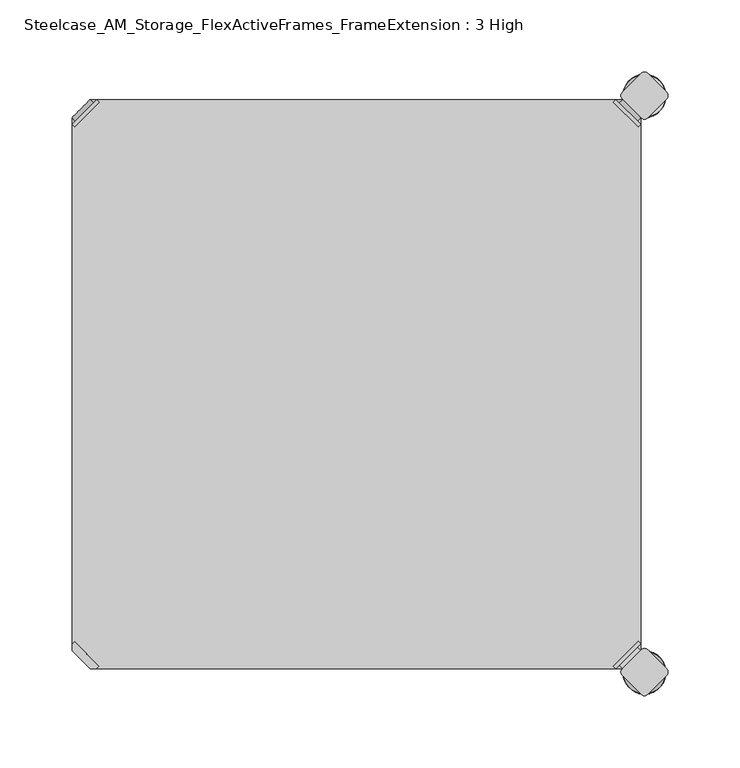
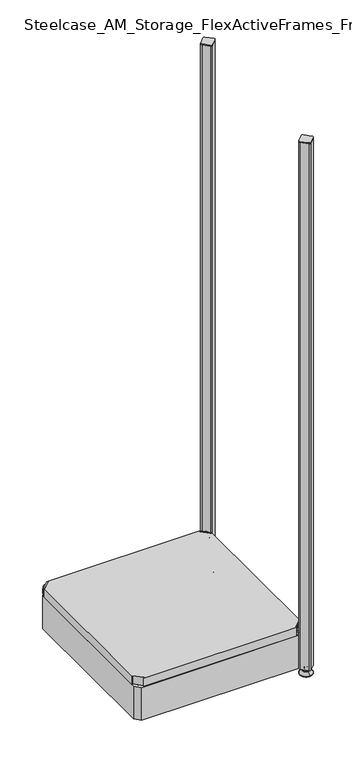
"""IFC4 building model written with IfcOpenShell, lengths in millimetres: furniture geometry, Steelcase_AM_Storage_FlexActiveFrames_FrameExtension : 3 High."""

from ifc_helpers import new_model, si_unit, point, frame, frame_2d, origin, place, context, project, spatial, polyline, circle_curve, ellipse_curve, trimmed, segment, composite_curve, outline, extrude, source, transform, mapped, element, save
from ifc_brep_helpers import plane_surface, cylinder_surface, revolved_surface, advanced_brep


def steelcase_am_storage_flexactiveframes_frameextension_3_high_2f810803(model_context):
    return source(origin(), model_context, "Body", "SolidModel", [
        advanced_brep(
        [(397.51, -380.2870969, 118.9736), (395.7139488, -378.4910456, 118.9736), (378.4910456, -395.7139488, 118.9736), (380.2870969, -397.51, 118.9736), (380.2870969, -397.51, 97.6376), (397.51, -380.2870969, 97.6376), (395.1847277, -382.6123691, 108.8136), (382.6123691, -395.1847277, 108.8136), (369.7579478, -352.5350447, 98.6536), (352.5350447, -369.7579478, 98.6536), (378.4910456, -395.7139488, 98.6536), (395.7139488, -378.4910456, 98.6536), (369.7579478, -352.5350447, 97.6376), (352.5350447, -369.7579478, 97.6376), (384.9272487, -397.4996073, 108.8136), (397.4996073, -384.9272487, 108.8136)],
        [
            (0, 1),
            (1, 2),
            (2, 3),
            (3, 0),
            (3, 4),
            (4, 5),
            (5, 0),
            (6, 7, circle_curve(frame((388.8985484, -388.8985484, 108.8136), z_axis=(-0.7071067811865446, 0.7071067811865505, 0.0), x_axis=(0.7071067811865505, 0.7071067811865446, 0.0)), 8.89)),
            (7, 6, circle_curve(frame((388.8985484, -388.8985484, 108.8136), z_axis=(-0.7071067811865446, 0.7071067811865505, 0.0), x_axis=(0.7071067811865505, 0.7071067811865446, 0.0)), 8.89)),
            (8, 9, circle_curve(frame((361.1464963, -361.1464963, 98.6536), z_axis=(0.0, 0.0, 1.0), x_axis=(-1.0, 0.0, 0.0)), 12.1784316)),
            (9, 10),
            (10, 11),
            (11, 8),
            (12, 5),
            (4, 13),
            (13, 12, circle_curve(frame((361.1464963, -361.1464963, 97.6376), z_axis=(0.0, 0.0, -1.0), x_axis=(-1.0, 0.0, 0.0)), 12.1784316)),
            (14, 15, circle_curve(frame((391.213428, -391.213428, 108.8136), z_axis=(0.7071067811865446, -0.7071067811865505, 0.0), x_axis=(0.7071067811865505, 0.7071067811865446, 0.0)), 8.89)),
            (15, 14, circle_curve(frame((391.213428, -391.213428, 108.8136), z_axis=(0.7071067811865446, -0.7071067811865505, 0.0), x_axis=(0.7071067811865505, 0.7071067811865446, 0.0)), 8.89)),
            (14, 7),
            (6, 15),
            (1, 11),
            (10, 2),
            (8, 12),
            (13, 9),
        ],
        [
            plane_surface(frame((419.7079872, -402.485084, 118.9736), z_axis=(0.0, 0.0, 1.0000000000000002), x_axis=(-0.7071067811865436, 0.7071067811865516, 0.0))),
            plane_surface(frame((380.2870969, -397.51, 118.9736), z_axis=(0.7071067811865447, -0.7071067811865503, 0.0), x_axis=(0.0, 0.0, -1.0))),
            plane_surface(frame((348.9680647, -361.1464963, 98.6536), z_axis=(0.0, 0.0, 1.0), x_axis=(0.0, -1.0, 0.0))),
            plane_surface(frame((348.9680647, -361.1464963, 97.6376), z_axis=(0.0, 0.0, -1.0), x_axis=(0.0, 1.0, 0.0))),
            plane_surface(frame((397.4996073, -384.9272487, 108.8136), z_axis=(0.7071067811865446, -0.7071067811865505, 0.0), x_axis=(0.0, 0.0, 1.0))),
            cylinder_surface(frame((388.8985484, -388.8985484, 108.8136), z_axis=(0.7071067811865446, -0.7071067811865505, 0.0), x_axis=(0.7071067811865505, 0.7071067811865446, 0.0)), 8.89),
            plane_surface(frame((395.7139488, -378.4910456, 118.9736), z_axis=(-0.7071067811865447, 0.7071067811865503, 0.0), x_axis=(0.0, 0.0, -1.0))),
            cylinder_surface(frame((361.1464963, -361.1464963, 97.6376), z_axis=(0.0, 0.0, 1.0), x_axis=(-1.0, 0.0, 0.0)), 12.1784316),
            plane_surface(frame((397.51, -380.2870969, 118.9736), z_axis=(0.7071067811865516, 0.7071067811865436, 0.0), x_axis=(0.0, 0.0, -1.0))),
            plane_surface(frame((378.4910456, -395.7139488, 118.9736), z_axis=(-0.7071067811865513, -0.7071067811865437, 0.0), x_axis=(0.0, 0.0, -1.0))),
        ],
        [
            (0, [[1, 2, 3, 4]]),
            (1, [[-4, 5, 6, 7], [8, 9]]),
            (2, [[10, 11, 12, 13]]),
            (3, [[14, -6, 15, 16]]),
            (4, [[17, 18]]),
            (5, [[-17, 19, -8, 20]]),
            (5, [[-18, -20, -9, -19]]),
            (6, [[-2, 21, -12, 22]]),
            (7, [[-10, 23, -16, 24]]),
            (8, [[-1, -7, -14, -23, -13, -21]]),
            (9, [[-3, -22, -11, -24, -15, -5]]),
        ],
    ),
        advanced_brep(
        [(397.51, -19.7629031, 118.9736), (380.2870969, -2.54, 118.9736), (378.4910456, -4.3360512, 118.9736), (395.7139488, -21.5589544, 118.9736), (397.51, -19.7629031, 97.6376), (380.2870969, -2.54, 97.6376), (395.1847277, -17.4376309, 108.8136), (382.6123691, -4.8652723, 108.8136), (369.7579478, -47.5149553, 98.6536), (395.7139488, -21.5589544, 98.6536), (378.4910456, -4.3360512, 98.6536), (352.5350447, -30.2920522, 98.6536), (369.7579478, -47.5149553, 97.6376), (352.5350447, -30.2920522, 97.6376), (384.9272487, -2.5503927, 108.8136), (397.4996073, -15.1227513, 108.8136)],
        [
            (0, 1),
            (1, 2),
            (2, 3),
            (3, 0),
            (0, 4),
            (4, 5),
            (5, 1),
            (6, 7, circle_curve(frame((388.8985484, -11.1514516, 108.8136), z_axis=(-0.7071067811865469, -0.7071067811865481, 0.0), x_axis=(0.7071067811865481, -0.7071067811865469, 0.0)), 8.89)),
            (7, 6, circle_curve(frame((388.8985484, -11.1514516, 108.8136), z_axis=(-0.7071067811865469, -0.7071067811865481, 0.0), x_axis=(0.7071067811865481, -0.7071067811865469, 0.0)), 8.89)),
            (8, 9),
            (9, 10),
            (10, 11),
            (11, 8, circle_curve(frame((361.1464963, -38.9035037, 98.6536), z_axis=(0.0, 0.0, 1.0), x_axis=(-1.0, 0.0, 0.0)), 12.1784316)),
            (12, 13, circle_curve(frame((361.1464963, -38.9035037, 97.6376), z_axis=(0.0, 0.0, -1.0), x_axis=(-1.0, 0.0, 0.0)), 12.1784316)),
            (13, 5),
            (4, 12),
            (14, 15, circle_curve(frame((391.213428, -8.836572, 108.8136), z_axis=(0.7071067811865469, 0.7071067811865481, 0.0), x_axis=(0.7071067811865481, -0.7071067811865469, 0.0)), 8.89)),
            (15, 14, circle_curve(frame((391.213428, -8.836572, 108.8136), z_axis=(0.7071067811865469, 0.7071067811865481, 0.0), x_axis=(0.7071067811865481, -0.7071067811865469, 0.0)), 8.89)),
            (15, 6),
            (7, 14),
            (2, 10),
            (9, 3),
            (11, 13),
            (12, 8),
        ],
        [
            plane_surface(frame((419.7079872, 2.435084, 118.9736), z_axis=(0.0, 0.0, 1.0000000000000002), x_axis=(-0.7071067811865459, -0.7071067811865492, 0.0))),
            plane_surface(frame((380.2870969, -2.54, 118.9736), z_axis=(0.707106781186547, 0.707106781186548, 0.0), x_axis=(0.0, 0.0, -1.0))),
            plane_surface(frame((348.9680647, -38.9035037, 98.6536), z_axis=(0.0, 0.0, 1.0), x_axis=(0.0, 1.0, 0.0))),
            plane_surface(frame((348.9680647, -38.9035037, 97.6376), z_axis=(0.0, 0.0, -1.0), x_axis=(0.0, -1.0, 0.0))),
            plane_surface(frame((397.4996073, -15.1227513, 108.8136), z_axis=(0.7071067811865469, 0.7071067811865481, 0.0), x_axis=(0.0, 0.0, 1.0))),
            cylinder_surface(frame((388.8985484, -11.1514516, 108.8136), z_axis=(0.7071067811865469, 0.7071067811865481, 0.0), x_axis=(0.7071067811865481, -0.7071067811865469, 0.0)), 8.89),
            plane_surface(frame((395.7139488, -21.5589544, 118.9736), z_axis=(-0.707106781186547, -0.707106781186548, 0.0), x_axis=(0.0, 0.0, -1.0))),
            cylinder_surface(frame((361.1464963, -38.9035037, 97.6376), z_axis=(0.0, 0.0, 1.0), x_axis=(-1.0, 0.0, 0.0)), 12.1784316),
            plane_surface(frame((397.51, -19.7629031, 118.9736), z_axis=(0.7071067811865492, -0.7071067811865459, 0.0), x_axis=(0.0, 0.0, -1.0))),
            plane_surface(frame((378.4910456, -4.3360512, 118.9736), z_axis=(-0.707106781186549, 0.707106781186546, 0.0), x_axis=(0.0, 0.0, -1.0))),
        ],
        [
            (0, [[1, 2, 3, 4]]),
            (1, [[5, 6, 7, -1], [8, 9]]),
            (2, [[10, 11, 12, 13]]),
            (3, [[14, 15, -6, 16]]),
            (4, [[17, 18]]),
            (5, [[19, -9, 20, -18]]),
            (5, [[-20, -8, -19, -17]]),
            (6, [[21, -11, 22, -3]]),
            (7, [[23, -14, 24, -13]]),
            (8, [[-22, -10, -24, -16, -5, -4]]),
            (9, [[-7, -15, -23, -12, -21, -2]]),
        ],
    ),
        advanced_brep(
        [(2.54, -19.7629031, 118.9736), (4.3360512, -21.5589544, 118.9736), (21.5589544, -4.3360512, 118.9736), (19.7629031, -2.54, 118.9736), (19.7629031, -2.54, 97.6376), (2.54, -19.7629031, 97.6376), (4.8652723, -17.4376309, 108.8136), (17.4376309, -4.8652723, 108.8136), (30.2920522, -47.5149553, 98.6536), (47.5149553, -30.2920522, 98.6536), (21.5589544, -4.3360512, 98.6536), (4.3360512, -21.5589544, 98.6536), (30.2920522, -47.5149553, 97.6376), (47.5149553, -30.2920522, 97.6376), (15.1227513, -2.5503927, 108.8136), (2.5503927, -15.1227513, 108.8136)],
        [
            (0, 1),
            (1, 2),
            (2, 3),
            (3, 0),
            (3, 4),
            (4, 5),
            (5, 0),
            (6, 7, circle_curve(frame((11.1514516, -11.1514516, 108.8136), z_axis=(0.7071067811865469, -0.7071067811865481, 0.0), x_axis=(-0.7071067811865481, -0.7071067811865469, 0.0)), 8.89)),
            (7, 6, circle_curve(frame((11.1514516, -11.1514516, 108.8136), z_axis=(0.7071067811865469, -0.7071067811865481, 0.0), x_axis=(-0.7071067811865481, -0.7071067811865469, 0.0)), 8.89)),
            (8, 9, circle_curve(frame((38.9035037, -38.9035037, 98.6536), z_axis=(0.0, 0.0, 1.0), x_axis=(1.0, 0.0, 0.0)), 12.1784316)),
            (9, 10),
            (10, 11),
            (11, 8),
            (12, 5),
            (4, 13),
            (13, 12, circle_curve(frame((38.9035037, -38.9035037, 97.6376), z_axis=(0.0, 0.0, -1.0), x_axis=(1.0, 0.0, 0.0)), 12.1784316)),
            (14, 15, circle_curve(frame((8.836572, -8.836572, 108.8136), z_axis=(-0.7071067811865469, 0.7071067811865481, 0.0), x_axis=(-0.7071067811865481, -0.7071067811865469, 0.0)), 8.89)),
            (15, 14, circle_curve(frame((8.836572, -8.836572, 108.8136), z_axis=(-0.7071067811865469, 0.7071067811865481, 0.0), x_axis=(-0.7071067811865481, -0.7071067811865469, 0.0)), 8.89)),
            (14, 7),
            (6, 15),
            (1, 11),
            (10, 2),
            (8, 12),
            (13, 9),
        ],
        [
            plane_surface(frame((-19.6579872, 2.435084, 118.9736), z_axis=(0.0, 0.0, 1.0000000000000002), x_axis=(0.7071067811865459, -0.7071067811865492, 0.0))),
            plane_surface(frame((19.7629031, -2.54, 118.9736), z_axis=(-0.707106781186547, 0.707106781186548, 0.0), x_axis=(0.0, 0.0, -1.0))),
            plane_surface(frame((51.0819353, -38.9035037, 98.6536), z_axis=(0.0, 0.0, 1.0), x_axis=(0.0, 1.0, 0.0))),
            plane_surface(frame((51.0819353, -38.9035037, 97.6376), z_axis=(0.0, 0.0, -1.0), x_axis=(0.0, -1.0, 0.0))),
            plane_surface(frame((2.5503927, -15.1227513, 108.8136), z_axis=(-0.7071067811865469, 0.7071067811865481, 0.0), x_axis=(0.0, 0.0, 1.0))),
            cylinder_surface(frame((11.1514516, -11.1514516, 108.8136), z_axis=(-0.7071067811865469, 0.7071067811865481, 0.0), x_axis=(-0.7071067811865481, -0.7071067811865469, 0.0)), 8.89),
            plane_surface(frame((4.3360512, -21.5589544, 118.9736), z_axis=(0.707106781186547, -0.707106781186548, 0.0), x_axis=(0.0, 0.0, -1.0))),
            cylinder_surface(frame((38.9035037, -38.9035037, 97.6376), z_axis=(0.0, 0.0, 1.0), x_axis=(1.0, 0.0, 0.0)), 12.1784316),
            plane_surface(frame((2.54, -19.7629031, 118.9736), z_axis=(-0.7071067811865492, -0.7071067811865459, 0.0), x_axis=(0.0, 0.0, -1.0))),
            plane_surface(frame((21.5589544, -4.3360512, 118.9736), z_axis=(0.707106781186549, 0.707106781186546, 0.0), x_axis=(0.0, 0.0, -1.0))),
        ],
        [
            (0, [[1, 2, 3, 4]]),
            (1, [[-4, 5, 6, 7], [8, 9]]),
            (2, [[10, 11, 12, 13]]),
            (3, [[14, -6, 15, 16]]),
            (4, [[17, 18]]),
            (5, [[-17, 19, -8, 20]]),
            (5, [[-18, -20, -9, -19]]),
            (6, [[-2, 21, -12, 22]]),
            (7, [[-10, 23, -16, 24]]),
            (8, [[-1, -7, -14, -23, -13, -21]]),
            (9, [[-3, -22, -11, -24, -15, -5]]),
        ],
    ),
        extrude(outline(polyline([(19.7629031, -2.54), (380.2870969, -2.54), (378.4910456, -4.3360512), (395.7139488, -21.5589544), (397.51, -19.7629031), (397.51, -380.2870969), (395.7139488, -378.4910456), (378.4910456, -395.7139488), (380.2870969, -397.51), (19.7629031, -397.51), (21.5589544, -395.7139488), (4.3360512, -378.4910456), (2.54, -380.2870969), (2.54, -19.7629031), (4.3360512, -21.5589544), (21.5589544, -4.3360512), (19.7629031, -2.54)])), frame((0.0, 0.0, 98.6536), z_axis=(0.0, 0.0, 1.0), x_axis=(1.0, 0.0, 0.0)), (0.0, 0.0, 1.0), 20.32),
        extrude(outline(composite_curve([segment(trimmed(circle_curve(frame_2d((400.05, -13.1875415)), 3.175), [point((402.295064, -15.4326055))], [point((397.804936, -15.4326055))], False, "CARTESIAN"), True, "CONTINUOUS"), segment(polyline([(397.804936, -15.4326055), (384.6173945, -2.245064)]), True, "CONTINUOUS"), segment(trimmed(circle_curve(frame_2d((386.8624585, 0.0)), 3.175), [point((384.6173945, -2.245064))], [point((384.6173945, 2.245064))], False, "CARTESIAN"), True, "CONTINUOUS"), segment(polyline([(384.6173945, 2.245064), (397.804936, 15.4326055)]), True, "CONTINUOUS"), segment(trimmed(circle_curve(frame_2d((400.05, 13.1875415)), 3.175), [point((397.804936, 15.4326055))], [point((402.295064, 15.4326055))], False, "CARTESIAN"), True, "CONTINUOUS"), segment(polyline([(402.295064, 15.4326055), (415.4826055, 2.245064)]), True, "CONTINUOUS"), segment(trimmed(circle_curve(frame_2d((413.2375415, 0.0)), 3.175), [point((415.4826055, 2.245064))], [point((415.4826055, -2.245064))], False, "CARTESIAN"), True, "CONTINUOUS"), segment(polyline([(415.4826055, -2.245064), (402.295064, -15.4326055)]), True, "CONTINUOUS")], self_intersect=False)), frame((0.0, 0.0, 1324.61), z_axis=(0.0, 0.0, 1.0), x_axis=(1.0, 0.0, 0.0)), (0.0, 0.0, 1.0), 2.032),
        extrude(outline(composite_curve([segment(polyline([(402.295064, -384.6173945), (415.4826055, -397.804936)]), True, "CONTINUOUS"), segment(trimmed(circle_curve(frame_2d((413.2375415, -400.05)), 3.175), [point((415.4826055, -397.804936))], [point((415.4826055, -402.295064))], False, "CARTESIAN"), True, "CONTINUOUS"), segment(polyline([(415.4826055, -402.295064), (402.295064, -415.4826055)]), True, "CONTINUOUS"), segment(trimmed(circle_curve(frame_2d((400.05, -413.2375415)), 3.175), [point((402.295064, -415.4826055))], [point((397.804936, -415.4826055))], False, "CARTESIAN"), True, "CONTINUOUS"), segment(polyline([(397.804936, -415.4826055), (384.6173945, -402.295064)]), True, "CONTINUOUS"), segment(trimmed(circle_curve(frame_2d((386.8624585, -400.05)), 3.175), [point((384.6173945, -402.295064))], [point((384.6173945, -397.804936))], False, "CARTESIAN"), True, "CONTINUOUS"), segment(polyline([(384.6173945, -397.804936), (397.804936, -384.6173945)]), True, "CONTINUOUS"), segment(trimmed(circle_curve(frame_2d((400.05, -386.8624585)), 3.175), [point((397.804936, -384.6173945))], [point((402.295064, -384.6173945))], False, "CARTESIAN"), True, "CONTINUOUS")], self_intersect=False)), frame((0.0, 0.0, 1324.61), z_axis=(0.0, 0.0, 1.0), x_axis=(1.0, 0.0, 0.0)), (0.0, 0.0, 1.0), 2.032),
        extrude(outline(polyline([(2.54, -384.9123305), (2.54, -15.1376695), (15.1376695, -2.54), (384.9123305, -2.54), (397.51, -15.1376695), (397.51, -384.9123305), (384.9123305, -397.51), (15.1376695, -397.51), (2.54, -384.9123305)]), holes=[polyline([(12.7, -15.748), (12.7, -387.35), (387.35, -387.35), (387.35, -15.748), (12.7, -15.748)])]), frame((0.0, 0.0, 15.9766), z_axis=(0.0, 0.0, 1.0), x_axis=(1.0, 0.0, 0.0)), (0.0, 0.0, 1.0), 81.28),
        advanced_brep(
        [(400.05, 3.999659, 15.9766), (400.05, -3.999659, 15.9766), (400.05, 0.0, 15.9766), (400.05, 3.999659, 12.6000054), (400.05, -3.999659, 12.6000054), (400.05, 5.8601455, 12.6000054), (400.05, -5.8601455, 12.6000054), (400.05, 6.4951462, 11.9650074), (400.05, -6.4951462, 11.9650074), (400.05, 6.4951462, 9.0000124), (400.05, -6.4951462, 9.0000124), (400.05, 8.7421976, 9.0000124), (400.05, -8.7421976, 9.0000124), (400.05, 14.7060077, 2.3275608), (400.05, -14.7060077, 2.3275608), (400.05, 13.664601, 0.0), (400.05, -13.664601, 0.0), (400.05, 0.0, 0.0)],
        [
            (0, 1, circle_curve(frame((400.05, 0.0, 15.9766), z_axis=(0.0, 0.0, 1.0), x_axis=(0.0, -1.0, 0.0)), 3.999659)),
            (1, 2),
            (2, 0),
            (1, 0, circle_curve(frame((400.05, 0.0, 15.9766), z_axis=(0.0, 0.0, 1.0), x_axis=(0.0, -1.0, 0.0)), 3.999659)),
            (3, 4, circle_curve(frame((400.05, 0.0, 12.6000054), z_axis=(0.0, 0.0, 1.0), x_axis=(0.0, -1.0, 0.0)), 3.999659)),
            (4, 1),
            (0, 3),
            (4, 3, circle_curve(frame((400.05, 0.0, 12.6000054), z_axis=(0.0, 0.0, 1.0), x_axis=(0.0, -1.0, 0.0)), 3.999659)),
            (5, 6, circle_curve(frame((400.05, 0.0, 12.6000054), z_axis=(0.0, 0.0, 1.0), x_axis=(0.0, -1.0, 0.0)), 5.8601455)),
            (6, 4),
            (3, 5),
            (6, 5, circle_curve(frame((400.05, 0.0, 12.6000054), z_axis=(0.0, 0.0, 1.0), x_axis=(0.0, -1.0, 0.0)), 5.8601455)),
            (7, 8, circle_curve(frame((400.05, 0.0, 11.9650074), z_axis=(0.0, 0.0, 1.0), x_axis=(0.0, -1.0, 0.0)), 6.4951462)),
            (8, 6, circle_curve(frame((400.05, -5.8601462, 11.9650074), z_axis=(-1.0, 0.0, 0.0), x_axis=(0.0, -1.0, 0.0)), 0.635)),
            (5, 7, circle_curve(frame((400.05, 5.8601462, 11.9650074), z_axis=(-1.0, 0.0, 0.0), x_axis=(0.0, 1.0, 0.0)), 0.635)),
            (8, 7, circle_curve(frame((400.05, 0.0, 11.9650074), z_axis=(0.0, 0.0, 1.0), x_axis=(0.0, -1.0, 0.0)), 6.4951462)),
            (9, 10, circle_curve(frame((400.05, 0.0, 9.0000124), z_axis=(0.0, 0.0, 1.0), x_axis=(0.0, -1.0, 0.0)), 6.4951462)),
            (10, 8),
            (7, 9),
            (10, 9, circle_curve(frame((400.05, 0.0, 9.0000124), z_axis=(0.0, 0.0, 1.0), x_axis=(0.0, -1.0, 0.0)), 6.4951462)),
            (11, 12, circle_curve(frame((400.05, 0.0, 9.0000124), z_axis=(0.0, 0.0, 1.0), x_axis=(0.0, -1.0, 0.0)), 8.7421976)),
            (12, 10),
            (9, 11),
            (12, 11, circle_curve(frame((400.05, 0.0, 9.0000124), z_axis=(0.0, 0.0, 1.0), x_axis=(0.0, -1.0, 0.0)), 8.7421976)),
            (13, 14, circle_curve(frame((400.05, 0.0, 2.3275608), z_axis=(0.0, 0.0, 1.0), x_axis=(0.0, -1.0, 0.0)), 14.7060077)),
            (14, 12),
            (11, 13),
            (14, 13, circle_curve(frame((400.05, 0.0, 2.3275608), z_axis=(0.0, 0.0, 1.0), x_axis=(0.0, -1.0, 0.0)), 14.7060077)),
            (15, 16, circle_curve(frame((400.05, 0.0, 0.0), z_axis=(0.0, 0.0, 1.0), x_axis=(0.0, -1.0, 0.0)), 13.664601)),
            (16, 14, circle_curve(frame((400.05, -13.664601, 1.3967556), z_axis=(-1.0, 0.0, 0.0), x_axis=(0.0, -1.0, 0.0)), 1.3967556)),
            (13, 15, circle_curve(frame((400.05, 13.664601, 1.3967556), z_axis=(-1.0, 0.0, 0.0), x_axis=(0.0, 1.0, 0.0)), 1.3967556)),
            (16, 15, circle_curve(frame((400.05, 0.0, 0.0), z_axis=(0.0, 0.0, 1.0), x_axis=(0.0, -1.0, 0.0)), 13.664601)),
            (17, 16),
            (15, 17),
        ],
        [
            plane_surface(frame((400.05, 0.0, 15.9766), z_axis=(0.0, 0.0, 1.0), x_axis=(0.0, -1.0, 0.0))),
            cylinder_surface(frame((400.05, 0.0, -4.132372), z_axis=(0.0, 0.0, -1.0), x_axis=(0.0, -1.0, 0.0)), 3.999659),
            plane_surface(frame((400.05, 0.0, 12.6000054), z_axis=(0.0, 0.0, 1.0), x_axis=(0.0, -1.0, 0.0))),
            revolved_surface(trimmed(ellipse_curve(frame((400.05, -5.8601462, 11.9650074), z_axis=(1.0, 0.0, 0.0), x_axis=(0.0, -1.0, 0.0)), 0.635, 0.635), [point((400.05, -5.8601455, 12.6000074))], [point((400.05, -6.4951462, 11.9650074))], True, "CARTESIAN"), (400.05, 0.0, -4.132372), (0.0, 0.0, -1.0)),
            cylinder_surface(frame((400.05, 0.0, -4.132372), z_axis=(0.0, 0.0, -1.0), x_axis=(0.0, -1.0, 0.0)), 6.4951462),
            plane_surface(frame((400.05, 0.0, 9.0000124), z_axis=(0.0, 0.0, 1.0), x_axis=(0.0, -1.0, 0.0))),
            revolved_surface(polyline([(400.05, -8.7421976, 9.0000124), (400.05, -14.7060077, 2.3275608)]), (400.05, 0.0, -4.132372), (0.0, 0.0, -1.0)),
            revolved_surface(trimmed(ellipse_curve(frame((400.05, -13.664601, 1.3967556), z_axis=(1.0, 0.0, 0.0), x_axis=(0.0, -1.0, 0.0)), 1.3967556, 1.3967556), [point((400.05, -14.7060077, 2.3275608))], [point((400.05, -13.664601, 0.0))], True, "CARTESIAN"), (400.05, 0.0, -4.132372), (0.0, 0.0, -1.0)),
            plane_surface(frame((400.05, 0.0, 0.0), z_axis=(0.0, 0.0, -1.0), x_axis=(0.0, -1.0, 0.0))),
        ],
        [
            (0, [[1, 2, 3]]),
            (0, [[4, -3, -2]]),
            (1, [[5, 6, -1, 7]]),
            (1, [[8, -7, -4, -6]]),
            (2, [[9, 10, -5, 11]]),
            (2, [[12, -11, -8, -10]]),
            (3, [[13, 14, -9, 15]]),
            (3, [[16, -15, -12, -14]]),
            (4, [[17, 18, -13, 19]]),
            (4, [[20, -19, -16, -18]]),
            (5, [[21, 22, -17, 23]]),
            (5, [[24, -23, -20, -22]]),
            (6, [[25, 26, -21, 27]]),
            (6, [[28, -27, -24, -26]]),
            (7, [[29, 30, -25, 31]]),
            (7, [[32, -31, -28, -30]]),
            (8, [[33, -29, 34]]),
            (8, [[-34, -32, -33]]),
        ],
    ),
        advanced_brep(
        [(400.05, -400.05, 15.9766), (400.05, -396.050341, 15.9766), (400.05, -404.049659, 15.9766), (400.05, -396.050341, 12.6000054), (400.05, -404.049659, 12.6000054), (400.05, -394.1898545, 12.6000074), (400.05, -405.9101455, 12.6000074), (400.05, -393.5548538, 11.9650074), (400.05, -406.5451462, 11.9650074), (400.05, -393.5548538, 9.0000124), (400.05, -406.5451462, 9.0000124), (400.05, -391.3078024, 9.0000124), (400.05, -408.7921976, 9.0000124), (400.05, -385.3439923, 2.3275608), (400.05, -414.7560077, 2.3275608), (400.05, -386.385399, 0.0), (400.05, -413.714601, 0.0), (400.05, -400.05, 0.0)],
        [
            (0, 1),
            (1, 2, circle_curve(frame((400.05, -400.05, 15.9766), z_axis=(0.0, 0.0, 1.0), x_axis=(0.0, 1.0, 0.0)), 3.999659)),
            (2, 0),
            (2, 1, circle_curve(frame((400.05, -400.05, 15.9766), z_axis=(0.0, 0.0, 1.0), x_axis=(0.0, 1.0, 0.0)), 3.999659)),
            (1, 3),
            (3, 4, circle_curve(frame((400.05, -400.05, 12.6000054), z_axis=(0.0, 0.0, 1.0), x_axis=(0.0, 1.0, 0.0)), 3.999659)),
            (4, 2),
            (4, 3, circle_curve(frame((400.05, -400.05, 12.6000054), z_axis=(0.0, 0.0, 1.0), x_axis=(0.0, 1.0, 0.0)), 3.999659)),
            (3, 5),
            (5, 6, circle_curve(frame((400.05, -400.05, 12.6000074), z_axis=(0.0, 0.0, 1.0), x_axis=(0.0, 1.0, 0.0)), 5.8601455)),
            (6, 4),
            (6, 5, circle_curve(frame((400.05, -400.05, 12.6000074), z_axis=(0.0, 0.0, 1.0), x_axis=(0.0, 1.0, 0.0)), 5.8601455)),
            (5, 7, circle_curve(frame((400.05, -394.1898538, 11.9650074), z_axis=(-1.0, 0.0, 0.0), x_axis=(0.0, 1.0, 0.0)), 0.635)),
            (7, 8, circle_curve(frame((400.05, -400.05, 11.9650074), z_axis=(0.0, 0.0, 1.0), x_axis=(0.0, 1.0, 0.0)), 6.4951462)),
            (8, 6, circle_curve(frame((400.05, -405.9101462, 11.9650074), z_axis=(-1.0, 0.0, 0.0), x_axis=(0.0, -1.0, 0.0)), 0.635)),
            (8, 7, circle_curve(frame((400.05, -400.05, 11.9650074), z_axis=(0.0, 0.0, 1.0), x_axis=(0.0, 1.0, 0.0)), 6.4951462)),
            (7, 9),
            (9, 10, circle_curve(frame((400.05, -400.05, 9.0000124), z_axis=(0.0, 0.0, 1.0), x_axis=(0.0, 1.0, 0.0)), 6.4951462)),
            (10, 8),
            (10, 9, circle_curve(frame((400.05, -400.05, 9.0000124), z_axis=(0.0, 0.0, 1.0), x_axis=(0.0, 1.0, 0.0)), 6.4951462)),
            (9, 11),
            (11, 12, circle_curve(frame((400.05, -400.05, 9.0000124), z_axis=(0.0, 0.0, 1.0), x_axis=(0.0, 1.0, 0.0)), 8.7421976)),
            (12, 10),
            (12, 11, circle_curve(frame((400.05, -400.05, 9.0000124), z_axis=(0.0, 0.0, 1.0), x_axis=(0.0, 1.0, 0.0)), 8.7421976)),
            (11, 13),
            (13, 14, circle_curve(frame((400.05, -400.05, 2.3275608), z_axis=(0.0, 0.0, 1.0), x_axis=(0.0, 1.0, 0.0)), 14.7060077)),
            (14, 12),
            (14, 13, circle_curve(frame((400.05, -400.05, 2.3275608), z_axis=(0.0, 0.0, 1.0), x_axis=(0.0, 1.0, 0.0)), 14.7060077)),
            (13, 15, circle_curve(frame((400.05, -386.385399, 1.3967556), z_axis=(-1.0, 0.0, 0.0), x_axis=(0.0, 1.0, 0.0)), 1.3967556)),
            (15, 16, circle_curve(frame((400.05, -400.05, 0.0), z_axis=(0.0, 0.0, 1.0), x_axis=(0.0, 1.0, 0.0)), 13.664601)),
            (16, 14, circle_curve(frame((400.05, -413.714601, 1.3967556), z_axis=(-1.0, 0.0, 0.0), x_axis=(0.0, -1.0, 0.0)), 1.3967556)),
            (16, 15, circle_curve(frame((400.05, -400.05, 0.0), z_axis=(0.0, 0.0, 1.0), x_axis=(0.0, 1.0, 0.0)), 13.664601)),
            (15, 17),
            (17, 16),
        ],
        [
            plane_surface(frame((400.05, -400.05, 15.9766), z_axis=(0.0, 0.0, 1.0), x_axis=(0.0, 1.0, 0.0))),
            cylinder_surface(frame((400.05, -400.05, -4.132372), z_axis=(0.0, 0.0, 1.0), x_axis=(0.0, 1.0, 0.0)), 3.999659),
            plane_surface(frame((400.05, -400.05, 12.6000074), z_axis=(0.0, 0.0, 1.0), x_axis=(0.0, 1.0, 0.0))),
            revolved_surface(trimmed(ellipse_curve(frame((400.05, -394.1898538, 11.9650074), z_axis=(1.0, 0.0, 0.0), x_axis=(0.0, 1.0, 0.0)), 0.635, 0.635), [point((400.05, -393.5548538, 11.9650074))], [point((400.05, -394.1898545, 12.6000074))], True, "CARTESIAN"), (400.05, -400.05, -4.132372), (0.0, 0.0, 1.0)),
            cylinder_surface(frame((400.05, -400.05, -4.132372), z_axis=(0.0, 0.0, 1.0), x_axis=(0.0, 1.0, 0.0)), 6.4951462),
            plane_surface(frame((400.05, -400.05, 9.0000124), z_axis=(0.0, 0.0, 1.0), x_axis=(0.0, 1.0, 0.0))),
            revolved_surface(polyline([(400.05, -385.3439923, 2.3275608), (400.05, -391.3078024, 9.0000124)]), (400.05, -400.05, -4.132372), (0.0, 0.0, 1.0)),
            revolved_surface(trimmed(ellipse_curve(frame((400.05, -386.385399, 1.3967556), z_axis=(1.0, 0.0, 0.0), x_axis=(0.0, 1.0, 0.0)), 1.3967556, 1.3967556), [point((400.05, -386.385399, 0.0))], [point((400.05, -385.3439923, 2.3275608))], True, "CARTESIAN"), (400.05, -400.05, -4.132372), (0.0, 0.0, 1.0)),
            plane_surface(frame((400.05, -400.05, 0.0), z_axis=(0.0, 0.0, -1.0), x_axis=(0.0, 1.0, 0.0))),
        ],
        [
            (0, [[1, 2, 3]]),
            (0, [[-3, 4, -1]]),
            (1, [[-2, 5, 6, 7]]),
            (1, [[-4, -7, 8, -5]]),
            (2, [[-6, 9, 10, 11]]),
            (2, [[-8, -11, 12, -9]]),
            (3, [[-10, 13, 14, 15]]),
            (3, [[-12, -15, 16, -13]]),
            (4, [[-14, 17, 18, 19]]),
            (4, [[-16, -19, 20, -17]]),
            (5, [[-18, 21, 22, 23]]),
            (5, [[-20, -23, 24, -21]]),
            (6, [[-22, 25, 26, 27]]),
            (6, [[-24, -27, 28, -25]]),
            (7, [[-26, 29, 30, 31]]),
            (7, [[-28, -31, 32, -29]]),
            (8, [[-30, 33, 34]]),
            (8, [[-32, -34, -33]]),
        ],
    ),
        extrude(outline(composite_curve([segment(trimmed(circle_curve(frame_2d((400.05, -13.1875415)), 3.175), [point((402.295064, -15.4326055))], [point((397.804936, -15.4326055))], False, "CARTESIAN"), True, "CONTINUOUS"), segment(polyline([(397.804936, -15.4326055), (384.6173945, -2.245064)]), True, "CONTINUOUS"), segment(trimmed(circle_curve(frame_2d((386.8624585, 0.0)), 3.175), [point((384.6173945, -2.245064))], [point((384.6173945, 2.245064))], False, "CARTESIAN"), True, "CONTINUOUS"), segment(polyline([(384.6173945, 2.245064), (397.804936, 15.4326055)]), True, "CONTINUOUS"), segment(trimmed(circle_curve(frame_2d((400.05, 13.1875415)), 3.175), [point((397.804936, 15.4326055))], [point((402.295064, 15.4326055))], False, "CARTESIAN"), True, "CONTINUOUS"), segment(polyline([(402.295064, 15.4326055), (415.4826055, 2.245064)]), True, "CONTINUOUS"), segment(trimmed(circle_curve(frame_2d((413.2375415, 0.0)), 3.175), [point((415.4826055, 2.245064))], [point((415.4826055, -2.245064))], False, "CARTESIAN"), True, "CONTINUOUS"), segment(polyline([(415.4826055, -2.245064), (402.295064, -15.4326055)]), True, "CONTINUOUS")], self_intersect=False)), frame((0.0, 0.0, 15.9766), z_axis=(0.0, 0.0, 1.0), x_axis=(1.0, 0.0, 0.0)), (0.0, 0.0, 1.0), 1308.6334),
        extrude(outline(composite_curve([segment(polyline([(402.295064, -384.6173945), (415.4826055, -397.804936)]), True, "CONTINUOUS"), segment(trimmed(circle_curve(frame_2d((413.2375415, -400.05)), 3.175), [point((415.4826055, -397.804936))], [point((415.4826055, -402.295064))], False, "CARTESIAN"), True, "CONTINUOUS"), segment(polyline([(415.4826055, -402.295064), (402.295064, -415.4826055)]), True, "CONTINUOUS"), segment(trimmed(circle_curve(frame_2d((400.05, -413.2375415)), 3.175), [point((402.295064, -415.4826055))], [point((397.804936, -415.4826055))], False, "CARTESIAN"), True, "CONTINUOUS"), segment(polyline([(397.804936, -415.4826055), (384.6173945, -402.295064)]), True, "CONTINUOUS"), segment(trimmed(circle_curve(frame_2d((386.8624585, -400.05)), 3.175), [point((384.6173945, -402.295064))], [point((384.6173945, -397.804936))], False, "CARTESIAN"), True, "CONTINUOUS"), segment(polyline([(384.6173945, -397.804936), (397.804936, -384.6173945)]), True, "CONTINUOUS"), segment(trimmed(circle_curve(frame_2d((400.05, -386.8624585)), 3.175), [point((397.804936, -384.6173945))], [point((402.295064, -384.6173945))], False, "CARTESIAN"), True, "CONTINUOUS")], self_intersect=False)), frame((0.0, 0.0, 15.9766), z_axis=(0.0, 0.0, 1.0), x_axis=(1.0, 0.0, 0.0)), (0.0, 0.0, 1.0), 1308.6334),
    ])


if __name__ == "__main__":
    model = new_model("IFC4")
    model_context = context("Model", 3, world=origin())
    ifc_project = project(units=[si_unit("LENGTHUNIT", "METRE", prefix="MILLI")], contexts=[model_context])
    site = spatial("IfcSite", under=ifc_project)
    building = spatial("IfcBuilding", under=site)
    placement = place(None, origin())
    steelcase_am_storage_flexactiveframes_frameextension_3_high_shape = steelcase_am_storage_flexactiveframes_frameextension_3_high_2f810803(model_context)
    element("IfcFurniture", 1, ObjectType="Steelcase_AM_Storage_FlexActiveFrames_FrameExtension : 3 High", at=placement, inside=building, context=model_context, shape_type="MappedRepresentation", body=[
        mapped(steelcase_am_storage_flexactiveframes_frameextension_3_high_shape, transform((0.0, 0.0, 0.0), x_axis=(1.0, 0.0, 0.0), y_axis=(0.0, 1.0, 0.0), z_axis=(0.0, 0.0, 1.0))),
    ])
    save(model, "model.ifc")
